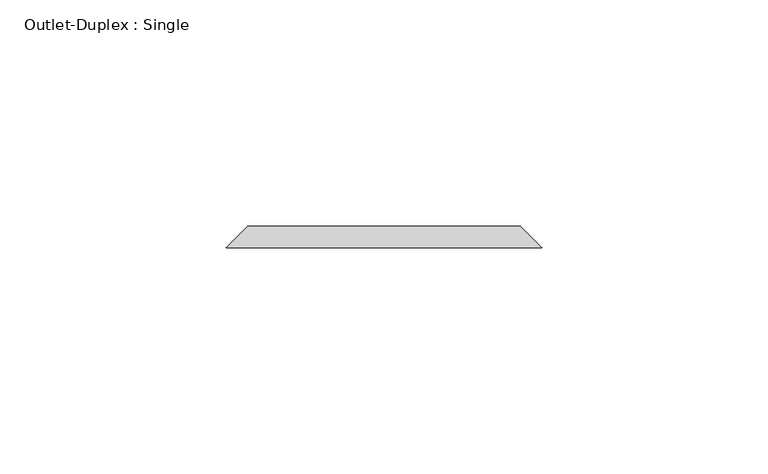
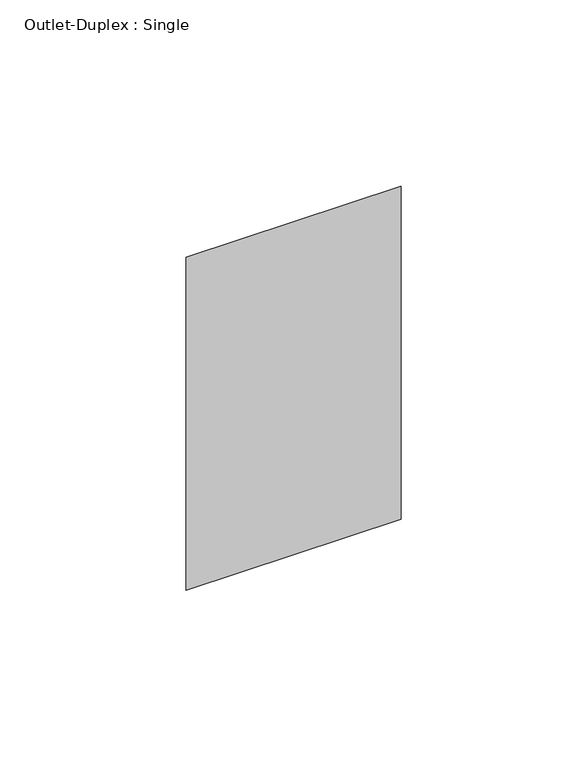
"""IFC4 building model written with IfcOpenShell, lengths in millimetres: proxy geometry, Outlet-Duplex : Single."""

from ifc_helpers import new_model, si_unit, origin, place, context, project, spatial, faceted_brep, source, transform, mapped, element, save


def outlet_duplex_single_bc999056(model_context):
    return source(origin(), model_context, "Body", "Brep", [
        faceted_brep([(-30.1625, 122.2375, 357.1875), (30.1625, 122.2375, 357.1875), (30.1625, 122.2375, 252.4125), (-30.1625, 122.2375, 252.4125), (-34.925, 117.475, 361.95), (-34.925, 117.475, 247.65), (34.925, 117.475, 247.65), (34.925, 117.475, 361.95)], [[[0, 1, 2, 3]], [[4, 5, 6, 7]], [[4, 7, 1, 0]], [[7, 6, 2, 1]], [[6, 5, 3, 2]], [[5, 4, 0, 3]]]),
    ])


if __name__ == "__main__":
    model = new_model("IFC4")
    model_context = context("Model", 3, world=origin())
    ifc_project = project(units=[si_unit("LENGTHUNIT", "METRE", prefix="MILLI")], contexts=[model_context])
    site = spatial("IfcSite", under=ifc_project)
    building = spatial("IfcBuilding", under=site)
    placement = place(None, origin())
    outlet_duplex_single_shape = outlet_duplex_single_bc999056(model_context)
    element("IfcBuildingElementProxy", 1, Name="Outlet-Duplex : Single", ObjectType="Outlet-Duplex : Single", at=placement, inside=building, context=model_context, shape_type="MappedRepresentation", body=[
        mapped(outlet_duplex_single_shape, transform((0.0, 0.0, 0.0), x_axis=(1.0, 0.0, 0.0), y_axis=(0.0, 1.0, 0.0), z_axis=(0.0, 0.0, 1.0))),
    ])
    save(model, "model.ifc")
